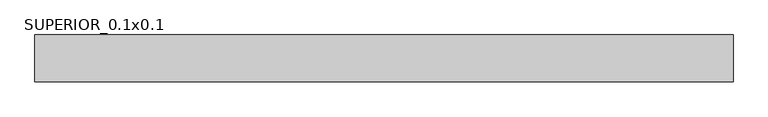
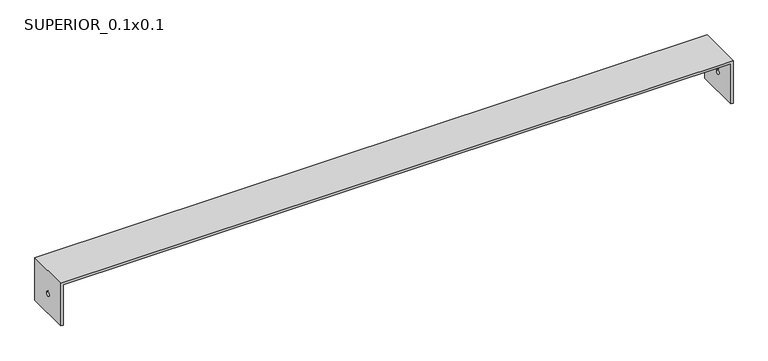
"""IFC4 building model written with IfcOpenShell, lengths in millimetres: proxy geometry, SUPERIOR_0.1x0.1."""

import ifcopenshell
import ifcopenshell.guid

model = None  # the IFC model being written
_history = None  # IfcOwnerHistory: only IFC2X3 demands one
_inside = {}  # id of a spatial element -> (the spatial element, [elements in it])
_under = {}  # id of a project, library or spatial element -> (it, [spatial elements below it])
_declared = {}  # id of a project -> (the project, [libraries it declares])
_typed = {}  # id of a type object -> (the type object, [elements of that type])
_made_of = {}  # id of a material, layer set ... -> (it, [elements and type objects made of it])


def new_model(schema):
    """Start an empty IFC model of exactly this schema.

    Asked for "IFC4X3", IfcOpenShell would pick the latest addendum, in which some entities
    have other attributes; the version numbers below select the first issue.
    IFC2X3 requires an IfcOwnerHistory on every rooted entity: one is made here for all.
    """
    global model, _history
    if schema == "IFC4X3":
        model = ifcopenshell.file(schema_version=(4, 3, 0, 0))
    else:
        model = ifcopenshell.file(schema=schema)
    _inside.clear()
    _under.clear()
    _declared.clear()
    _typed.clear()
    _made_of.clear()
    _history = None
    if model.schema == "IFC2X3":
        org = make("IfcOrganization", Name="unknown")
        user = make(
            "IfcPersonAndOrganization",
            ThePerson=make("IfcPerson", FamilyName="unknown"),
            TheOrganization=org,
        )
        app = make(
            "IfcApplication",
            ApplicationDeveloper=org,
            Version="unknown",
            ApplicationFullName="unknown",
            ApplicationIdentifier="unknown",
        )
        _history = make(
            "IfcOwnerHistory",
            OwningUser=user,
            OwningApplication=app,
            ChangeAction="ADDED",
            CreationDate=0,
        )
    return model


def make(cls, **values):
    """One entity of the class cls with the attributes given. An attribute that is None is left unset."""
    return model.create_entity(
        cls, **{name: value for name, value in values.items() if value is not None}
    )


def rooted(cls, **values):
    """An entity with a GlobalId (a new one), such as an element, a storey or a relation."""
    return make(cls, GlobalId=ifcopenshell.guid.new(), OwnerHistory=_history, **values)


def si_unit(unit_type, name, prefix=None):
    """IfcSIUnit, for example si_unit("LENGTHUNIT", "METRE", prefix="MILLI")."""
    return make("IfcSIUnit", UnitType=unit_type, Prefix=prefix, Name=name)


def assignment(units):
    """IfcUnitAssignment: the units of a project."""
    return None if units is None else make("IfcUnitAssignment", Units=units)


def point(xyz):
    """IfcCartesianPoint."""
    return None if xyz is None else make("IfcCartesianPoint", Coordinates=xyz)


def direction(xyz):
    """IfcDirection."""
    return None if xyz is None else make("IfcDirection", DirectionRatios=xyz)


def frame(location, z_axis=None, x_axis=None):
    """IfcAxis2Placement3D, a coordinate frame: its origin and axes. An axis left out is left unset."""
    return make(
        "IfcAxis2Placement3D",
        Location=point(location),
        Axis=direction(z_axis),
        RefDirection=direction(x_axis),
    )


def origin():
    """The frame at (0, 0, 0) with its axes left unset."""
    return frame((0.0, 0.0, 0.0))


def place(relative_to, where):
    """IfcLocalPlacement: puts the frame where relative to a parent placement (None: the world)."""
    return make(
        "IfcLocalPlacement", PlacementRelTo=relative_to, RelativePlacement=where
    )


def context(
    kind, dimensions, precision=None, world=None, true_north=None, identifier=None
):
    """IfcGeometricRepresentationContext, for example the 3D "Model" context."""
    return make(
        "IfcGeometricRepresentationContext",
        ContextIdentifier=identifier,
        ContextType=kind,
        CoordinateSpaceDimension=dimensions,
        Precision=precision,
        WorldCoordinateSystem=world,
        TrueNorth=true_north,
    )


def project(units=None, contexts=None):
    """IfcProject with its units and contexts."""
    return rooted(
        "IfcProject",
        Name="project",
        RepresentationContexts=contexts,
        UnitsInContext=assignment(units),
    )


def spatial(cls, under=None, at=None, **own):
    """A site, building, storey or space (cls), placed at a placement, below another one or the project."""
    s = rooted(cls, ObjectPlacement=at, **own)
    if under is not None:
        _under.setdefault(under.id(), (under, []))[1].append(s)
    return s


def polyline(points):
    """IfcPolyline through the points."""
    return make("IfcPolyline", Points=[point(p) for p in points])


def circle_curve(where, radius):
    """IfcCircle in the frame where."""
    return make("IfcCircle", Position=where, Radius=radius)


def shape(context_of_items, identifier, shape_type, items):
    """IfcShapeRepresentation: the items that make up one representation, for example the "Body"."""
    return make(
        "IfcShapeRepresentation",
        ContextOfItems=context_of_items,
        RepresentationIdentifier=identifier,
        RepresentationType=shape_type,
        Items=items,
    )


def source(mapping_origin, context_of_items, identifier, shape_type, items):
    """IfcRepresentationMap: a shape defined once, which mapped items show again and again."""
    return make(
        "IfcRepresentationMap",
        MappingOrigin=mapping_origin,
        MappedRepresentation=shape(context_of_items, identifier, shape_type, items),
    )


def transform(
    local_origin,
    x_axis=None,
    y_axis=None,
    z_axis=None,
    scale=None,
    scale2=None,
    scale3=None,
    uniform=True,
):
    """IfcCartesianTransformationOperator3D, or its non-uniform kind. x_axis, y_axis, z_axis: its Axis1, 2, 3."""
    if uniform:
        return make(
            "IfcCartesianTransformationOperator3D",
            Axis1=direction(x_axis),
            Axis2=direction(y_axis),
            LocalOrigin=point(local_origin),
            Scale=scale,
            Axis3=direction(z_axis),
        )
    return make(
        "IfcCartesianTransformationOperator3DnonUniform",
        Axis1=direction(x_axis),
        Axis2=direction(y_axis),
        LocalOrigin=point(local_origin),
        Scale=scale,
        Axis3=direction(z_axis),
        Scale2=scale2,
        Scale3=scale3,
    )


def mapped(mapping_source, mapping_target):
    """IfcMappedItem: shows the shape of a source again, moved by a transform."""
    return make(
        "IfcMappedItem", MappingSource=mapping_source, MappingTarget=mapping_target
    )


def made_of(thing, what):
    """Note that an element or type object is made of a material, layer set ...; save() writes the relation."""
    if what is not None:
        _made_of.setdefault(what.id(), (what, []))[1].append(thing)
    return thing


def element(
    cls,
    number,
    at=None,
    inside=None,
    cuts=None,
    type_object=None,
    material=None,
    context=None,
    identifier="Body",
    shape_type=None,
    held_by="IfcProductDefinitionShape",
    body=None,
    shapes=None,
    **own,
):
    """One element of the class cls, such as IfcWall. Its Tag is "e" and its number.

    at: its placement. inside: the storey or other place that contains it. cuts: it is an
    opening in that element (IfcRelVoidsElement). A single representation is given by context,
    identifier, shape_type and body (its items); several are given by shapes. held_by: the class
    of the entity that holds the representations. save() writes the other relations.
    """
    e = rooted(cls, Tag="e%d" % number, ObjectPlacement=at, **own)
    if body is not None:
        shapes = [shape(context, identifier, shape_type, body)]
    if shapes is not None:
        e.Representation = make(held_by, Representations=shapes)
    if inside is not None:
        _inside.setdefault(inside.id(), (inside, []))[1].append(e)
    if cuts is not None:
        rooted(
            "IfcRelVoidsElement", RelatingBuildingElement=cuts, RelatedOpeningElement=e
        )
    if type_object is not None:
        _typed.setdefault(type_object.id(), (type_object, []))[1].append(e)
    return made_of(e, material)


def aggregate(whole, parts):
    """IfcRelAggregates: a whole, such as a stair, and the parts it consists of."""
    return rooted("IfcRelAggregates", RelatingObject=whole, RelatedObjects=parts)


def save(model, path):
    """Write the relations noted so far, then the file.

    IfcRelAggregates (storeys below a building ...), IfcRelContainedInSpatialStructure (elements
    in a storey), IfcRelDefinesByType, IfcRelAssociatesMaterial and IfcRelDeclares: one each for
    every whole, place, type object, material and project.
    """
    for whole, parts in _under.values():
        aggregate(whole, parts)
    for where, things in _inside.values():
        rooted(
            "IfcRelContainedInSpatialStructure",
            RelatedElements=things,
            RelatingStructure=where,
        )
    for kind, things in _typed.values():
        rooted("IfcRelDefinesByType", RelatedObjects=things, RelatingType=kind)
    for what, things in _made_of.values():
        rooted("IfcRelAssociatesMaterial", RelatedObjects=things, RelatingMaterial=what)
    for by, libraries in _declared.values():
        rooted("IfcRelDeclares", RelatingContext=by, RelatedDefinitions=libraries)
    model.write(path)


def plane_surface(at):
    """IfcPlane: the flat surface through the origin of the frame at, square to its z axis."""
    return make("IfcPlane", Position=at)


def revolved_surface(curve, axis_point, axis_direction):
    """IfcSurfaceOfRevolution: the curve turned about the line through axis_point along axis_direction."""
    return make(
        "IfcSurfaceOfRevolution",
        SweptCurve=make("IfcArbitraryOpenProfileDef", ProfileType="CURVE", Curve=curve),
        AxisPosition=make("IfcAxis1Placement", Location=point(axis_point), Axis=direction(axis_direction)),
    )


def advanced_brep(points, edges, surfaces, faces):
    """IfcAdvancedBrep: a solid bounded by faces that lie on surfaces and meet in shared edges.

    An edge is (start, end): straight between two places in points (the first is 0);
    or (start, end, curve); or (start, end, curve, False) where it runs against its curve.
    A face is (place in surfaces, loops), or (place, loops, False) where it looks against
    its surface's normal. A loop lists edges by number (the first is 1), with a minus sign
    where the edge is run from its end to its start. The first loop is the outer one.
    """
    corners = [point(p) for p in points]
    vertices = [make("IfcVertexPoint", VertexGeometry=c) for c in corners]
    made = []
    for start, end, *more in edges:
        made.append(
            make(
                "IfcEdgeCurve",
                EdgeStart=vertices[start],
                EdgeEnd=vertices[end],
                EdgeGeometry=more[0] if more else make("IfcPolyline", Points=[corners[start], corners[end]]),
                SameSense=more[1] if len(more) > 1 else True,
            )
        )
    hull = []
    for where, loops, *sense in faces:
        bounds = []
        for j, loop in enumerate(loops):
            ring = [make("IfcOrientedEdge", EdgeElement=made[abs(k) - 1], Orientation=k > 0) for k in loop]
            bounds.append(
                make(
                    "IfcFaceOuterBound" if j == 0 else "IfcFaceBound",
                    Bound=make("IfcEdgeLoop", EdgeList=ring),
                    Orientation=True,
                )
            )
        hull.append(make("IfcAdvancedFace", Bounds=bounds, FaceSurface=surfaces[where], SameSense=sense[0] if sense else True))
    return make("IfcAdvancedBrep", Outer=make("IfcClosedShell", CfsFaces=hull))


def superior_0_1x0_1_fa0c45fa(model_context):
    return source(origin(), model_context, "Body", "AdvancedBrep", [
        advanced_brep(
        [(5.0, 100.0, -95.0), (5.0, 0.0, -95.0), (0.0, 0.0, -95.0), (0.0, 100.0, -95.0), (0.0, 100.0, 5.0), (1495.0, 100.0, 5.0), (1495.0, 100.0, -95.0), (1490.0, 100.0, -95.0), (1490.0, 100.0, 0.0), (5.0, 100.0, 0.0), (0.0, 0.0, 5.0), (0.0, 45.1299677, -50.0), (0.0, 55.1299677, -50.0), (5.0, 0.0, 0.0), (1490.0, 0.0, 0.0), (1490.0, 0.0, -95.0), (1495.0, 0.0, -95.0), (1495.0, 0.0, 5.0), (5.0, 55.1299677, -50.0), (5.0, 45.1299677, -50.0), (1495.0, 55.1299677, -50.0), (1495.0, 45.1299677, -50.0), (1490.0, 45.1299677, -50.0), (1490.0, 55.1299677, -50.0)],
        [
            (0, 1),
            (1, 2),
            (2, 3),
            (3, 0),
            (3, 4),
            (4, 5),
            (5, 6),
            (6, 7),
            (7, 8),
            (8, 9),
            (9, 0),
            (2, 10),
            (10, 4),
            (11, 12, circle_curve(frame((0.0, 50.1299677, -50.0), z_axis=(1.0, 0.0, 0.0), x_axis=(0.0, 1.0, 0.0)), 5.0)),
            (12, 11, circle_curve(frame((0.0, 50.1299677, -50.0), z_axis=(1.0, 0.0, 0.0), x_axis=(0.0, 1.0, 0.0)), 5.0)),
            (1, 13),
            (13, 14),
            (14, 15),
            (15, 16),
            (16, 17),
            (17, 10),
            (9, 13),
            (18, 19, circle_curve(frame((5.0, 50.1299677, -50.0), z_axis=(-1.0, 0.0, 0.0), x_axis=(0.0, 1.0, 0.0)), 5.0)),
            (19, 18, circle_curve(frame((5.0, 50.1299677, -50.0), z_axis=(-1.0, 0.0, 0.0), x_axis=(0.0, 1.0, 0.0)), 5.0)),
            (17, 5),
            (8, 14),
            (16, 6),
            (20, 21, circle_curve(frame((1495.0, 50.1299677, -50.0), z_axis=(-1.0, 0.0, 0.0), x_axis=(0.0, 1.0, 0.0)), 5.0)),
            (21, 20, circle_curve(frame((1495.0, 50.1299677, -50.0), z_axis=(-1.0, 0.0, 0.0), x_axis=(0.0, 1.0, 0.0)), 5.0)),
            (11, 19),
            (18, 12),
            (22, 21),
            (20, 23),
            (23, 22, circle_curve(frame((1490.0, 50.1299677, -50.0), z_axis=(-1.0, 0.0, 0.0), x_axis=(0.0, 1.0, 0.0)), 5.0)),
            (22, 23, circle_curve(frame((1490.0, 50.1299677, -50.0), z_axis=(-1.0, 0.0, 0.0), x_axis=(0.0, 1.0, 0.0)), 5.0)),
            (15, 7),
        ],
        [
            plane_surface(frame((0.0, 100.0, -95.0), z_axis=(0.0, 0.0, -1.0), x_axis=(1.0, 0.0, 0.0))),
            plane_surface(frame((5.0, 100.0, 0.0), z_axis=(0.0, 1.0, 0.0), x_axis=(0.0, 0.0, -1.0))),
            plane_surface(frame((0.0, 100.0, 0.0), z_axis=(-1.0, 0.0, 0.0), x_axis=(0.0, 0.0, -1.0))),
            plane_surface(frame((0.0, 0.0, 0.0), z_axis=(0.0, -1.0, 0.0), x_axis=(0.0, 0.0, -1.0))),
            plane_surface(frame((5.0, 0.0, 0.0), z_axis=(1.0, 0.0, 0.0), x_axis=(0.0, 0.0, -1.0))),
            plane_surface(frame((0.0, 0.0, 5.0), z_axis=(0.0, 0.0, 1.0), x_axis=(0.0, -1.0, 0.0))),
            plane_surface(frame((0.0, 0.0, 0.0), z_axis=(0.0, 0.0, -1.0), x_axis=(0.0, 1.0, 0.0))),
            plane_surface(frame((1495.0, 0.0, 5.0), z_axis=(1.0, 0.0, 0.0), x_axis=(0.0, 0.0, -1.0))),
            revolved_surface(polyline([(5.0, 55.1299677, -50.0), (0.0, 55.1299677, -50.0)]), (0.0, 50.1299677, -50.0), (1.0, 0.0, 0.0)),
            revolved_surface(polyline([(1495.0, 55.1299677, -50.0), (1490.0, 55.1299677, -50.0)]), (0.0, 50.1299677, -50.0), (1.0, 0.0, 0.0)),
            plane_surface(frame((1490.0, 100.0, -95.0), z_axis=(0.0, 0.0, -1.0), x_axis=(0.0, 1.0, 0.0))),
            plane_surface(frame((1490.0, 100.0, 0.0), z_axis=(-1.0, 0.0, 0.0), x_axis=(0.0, 0.0, -1.0))),
        ],
        [
            (0, [[1, 2, 3, 4]]),
            (1, [[-4, 5, 6, 7, 8, 9, 10, 11]]),
            (2, [[-3, 12, 13, -5], [14, 15]]),
            (3, [[-2, 16, 17, 18, 19, 20, 21, -12]]),
            (4, [[-1, -11, 22, -16], [23, 24]]),
            (5, [[-13, -21, 25, -6]]),
            (6, [[-22, -10, 26, -17]]),
            (7, [[-25, -20, 27, -7], [28, 29]]),
            (8, [[30, -23, 31, -14]]),
            (9, [[32, -28, 33, 34]]),
            (8, [[-30, -15, -31, -24]]),
            (9, [[-32, 35, -33, -29]]),
            (10, [[-8, -27, -19, 36]]),
            (11, [[-36, -18, -26, -9], [-34, -35]]),
        ],
    ),
    ])


if __name__ == "__main__":
    model = new_model("IFC4")
    model_context = context("Model", 3, world=origin())
    ifc_project = project(units=[si_unit("LENGTHUNIT", "METRE", prefix="MILLI")], contexts=[model_context])
    site = spatial("IfcSite", under=ifc_project)
    building = spatial("IfcBuilding", under=site)
    placement = place(None, origin())
    superior_0_1x0_1_shape = superior_0_1x0_1_fa0c45fa(model_context)
    element("IfcBuildingElementProxy", 1, Name="SUPERIOR_0.1x0.1", ObjectType="SUPERIOR_0.1x0.1", at=placement, inside=building, context=model_context, shape_type="MappedRepresentation", body=[
        mapped(superior_0_1x0_1_shape, transform((0.0, 0.0, 0.0), x_axis=(1.0, 0.0, 0.0), y_axis=(0.0, 1.0, 0.0), z_axis=(0.0, 0.0, 1.0))),
    ])
    save(model, "model.ifc")
